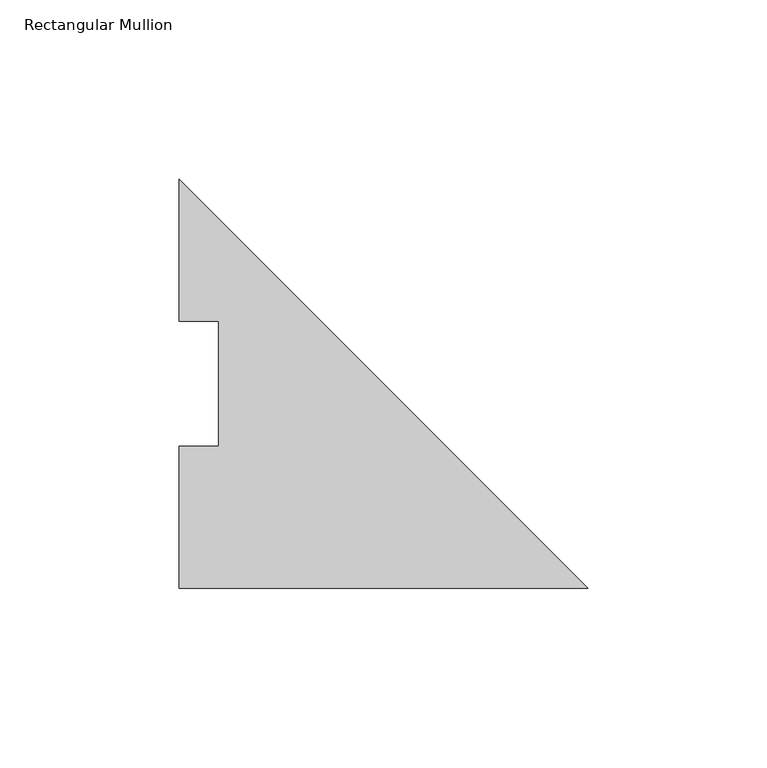
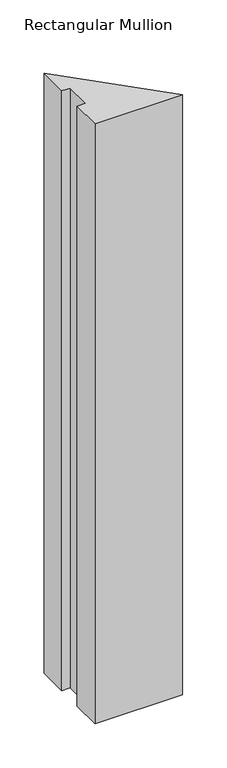
"""IFC4 building model written with IfcOpenShell, lengths in millimetres: member geometry, Rectangular Mullion."""

from ifc_helpers import new_model, si_unit, frame, origin, place, context, project, spatial, polyline, outline, extrude, source, transform, mapped, element, save


def rectangular_mullion_251f4766(model_context):
    return source(origin(), model_context, "Body", "SweptSolid", [
        extrude(outline(polyline([(-114.3, 74.596625), (-114.3, 114.271425), (0.0, -0.028575), (-114.3, -0.028575), (-114.3, 39.646225), (-103.1875, 39.646225), (-103.1875, 74.596625), (-114.3, 74.596625)])), frame((0.0, 0.0, -825.5), z_axis=(0.0, 0.0, 1.0), x_axis=(1.0, 0.0, 0.0)), (0.0, 0.0, 1.0), 825.5),
    ])


if __name__ == "__main__":
    model = new_model("IFC4")
    model_context = context("Model", 3, world=origin())
    ifc_project = project(units=[si_unit("LENGTHUNIT", "METRE", prefix="MILLI")], contexts=[model_context])
    site = spatial("IfcSite", under=ifc_project)
    building = spatial("IfcBuilding", under=site)
    placement = place(None, origin())
    rectangular_mullion_shape = rectangular_mullion_251f4766(model_context)
    element("IfcMember", 1, ObjectType="Rectangular Mullion", at=placement, inside=building, context=model_context, shape_type="MappedRepresentation", body=[
        mapped(rectangular_mullion_shape, transform((0.0, 0.0, 0.0), x_axis=(1.0, 0.0, 0.0), y_axis=(0.0, 1.0, 0.0), z_axis=(0.0, 0.0, 1.0))),
    ])
    save(model, "model.ifc")
